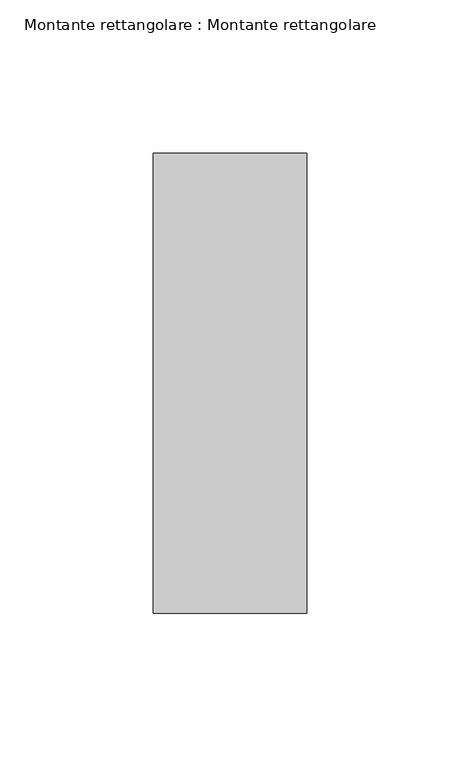
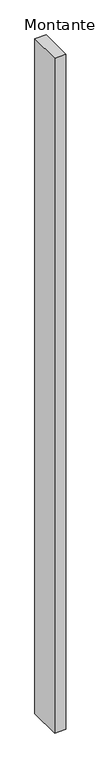
"""IFC4 building model written with IfcOpenShell, lengths in millimetres: member geometry, Montante rettangolare : Montante rettangolare."""

from ifc_helpers import new_model, si_unit, frame, origin, place, context, project, spatial, polyline, outline, extrude, source, transform, mapped, element, save


def montante_rettangolare_montante_rettangolare_9e37bfe8(model_context):
    return source(origin(), model_context, "Body", "SweptSolid", [
        extrude(outline(polyline([(0.0, 75.0), (0.0, -75.0), (-50.0, -75.0), (-50.0, 75.0), (0.0, 75.0)])), frame((0.0, 0.0, -3150.0), z_axis=(0.0, 0.0, 1.0), x_axis=(1.0, 0.0, 0.0)), (0.0, 0.0, 1.0), 3150.0),
    ])


if __name__ == "__main__":
    model = new_model("IFC4")
    model_context = context("Model", 3, world=origin())
    ifc_project = project(units=[si_unit("LENGTHUNIT", "METRE", prefix="MILLI")], contexts=[model_context])
    site = spatial("IfcSite", under=ifc_project)
    building = spatial("IfcBuilding", under=site)
    placement = place(None, origin())
    montante_rettangolare_montante_rettangolare_shape = montante_rettangolare_montante_rettangolare_9e37bfe8(model_context)
    element("IfcMember", 1, ObjectType="Montante rettangolare : Montante rettangolare", at=placement, inside=building, context=model_context, shape_type="MappedRepresentation", body=[
        mapped(montante_rettangolare_montante_rettangolare_shape, transform((0.0, 0.0, 0.0), x_axis=(1.0, 0.0, 0.0), y_axis=(0.0, 1.0, 0.0), z_axis=(0.0, 0.0, 1.0))),
    ])
    save(model, "model.ifc")
